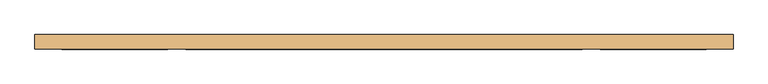
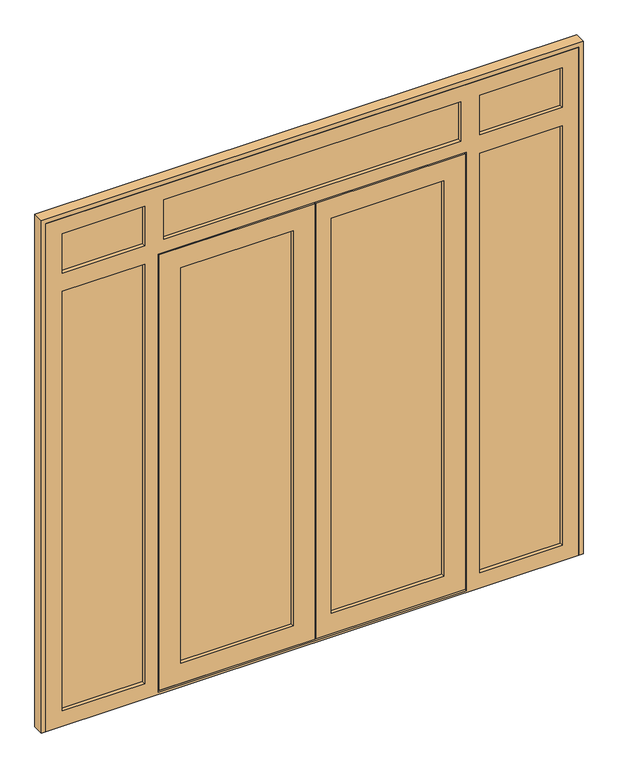
"""IFC4 building model written with IfcOpenShell, lengths in millimetres: door geometry."""

import ifcopenshell
import ifcopenshell.guid

model = None  # the IFC model being written
_history = None  # IfcOwnerHistory: only IFC2X3 demands one
_inside = {}  # id of a spatial element -> (the spatial element, [elements in it])
_under = {}  # id of a project, library or spatial element -> (it, [spatial elements below it])
_declared = {}  # id of a project -> (the project, [libraries it declares])
_typed = {}  # id of a type object -> (the type object, [elements of that type])
_made_of = {}  # id of a material, layer set ... -> (it, [elements and type objects made of it])


def new_model(schema):
    """Start an empty IFC model of exactly this schema.

    Asked for "IFC4X3", IfcOpenShell would pick the latest addendum, in which some entities
    have other attributes; the version numbers below select the first issue.
    IFC2X3 requires an IfcOwnerHistory on every rooted entity: one is made here for all.
    """
    global model, _history
    if schema == "IFC4X3":
        model = ifcopenshell.file(schema_version=(4, 3, 0, 0))
    else:
        model = ifcopenshell.file(schema=schema)
    _inside.clear()
    _under.clear()
    _declared.clear()
    _typed.clear()
    _made_of.clear()
    _history = None
    if model.schema == "IFC2X3":
        org = make("IfcOrganization", Name="unknown")
        user = make(
            "IfcPersonAndOrganization",
            ThePerson=make("IfcPerson", FamilyName="unknown"),
            TheOrganization=org,
        )
        app = make(
            "IfcApplication",
            ApplicationDeveloper=org,
            Version="unknown",
            ApplicationFullName="unknown",
            ApplicationIdentifier="unknown",
        )
        _history = make(
            "IfcOwnerHistory",
            OwningUser=user,
            OwningApplication=app,
            ChangeAction="ADDED",
            CreationDate=0,
        )
    return model


def make(cls, **values):
    """One entity of the class cls with the attributes given. An attribute that is None is left unset."""
    return model.create_entity(
        cls, **{name: value for name, value in values.items() if value is not None}
    )


def rooted(cls, **values):
    """An entity with a GlobalId (a new one), such as an element, a storey or a relation."""
    return make(cls, GlobalId=ifcopenshell.guid.new(), OwnerHistory=_history, **values)


def si_unit(unit_type, name, prefix=None):
    """IfcSIUnit, for example si_unit("LENGTHUNIT", "METRE", prefix="MILLI")."""
    return make("IfcSIUnit", UnitType=unit_type, Prefix=prefix, Name=name)


def assignment(units):
    """IfcUnitAssignment: the units of a project."""
    return None if units is None else make("IfcUnitAssignment", Units=units)


def point(xyz):
    """IfcCartesianPoint."""
    return None if xyz is None else make("IfcCartesianPoint", Coordinates=xyz)


def direction(xyz):
    """IfcDirection."""
    return None if xyz is None else make("IfcDirection", DirectionRatios=xyz)


def frame(location, z_axis=None, x_axis=None):
    """IfcAxis2Placement3D, a coordinate frame: its origin and axes. An axis left out is left unset."""
    return make(
        "IfcAxis2Placement3D",
        Location=point(location),
        Axis=direction(z_axis),
        RefDirection=direction(x_axis),
    )


def origin():
    """The frame at (0, 0, 0) with its axes left unset."""
    return frame((0.0, 0.0, 0.0))


def place(relative_to, where):
    """IfcLocalPlacement: puts the frame where relative to a parent placement (None: the world)."""
    return make(
        "IfcLocalPlacement", PlacementRelTo=relative_to, RelativePlacement=where
    )


def context(
    kind, dimensions, precision=None, world=None, true_north=None, identifier=None
):
    """IfcGeometricRepresentationContext, for example the 3D "Model" context."""
    return make(
        "IfcGeometricRepresentationContext",
        ContextIdentifier=identifier,
        ContextType=kind,
        CoordinateSpaceDimension=dimensions,
        Precision=precision,
        WorldCoordinateSystem=world,
        TrueNorth=true_north,
    )


def project(units=None, contexts=None):
    """IfcProject with its units and contexts."""
    return rooted(
        "IfcProject",
        Name="project",
        RepresentationContexts=contexts,
        UnitsInContext=assignment(units),
    )


def spatial(cls, under=None, at=None, **own):
    """A site, building, storey or space (cls), placed at a placement, below another one or the project."""
    s = rooted(cls, ObjectPlacement=at, **own)
    if under is not None:
        _under.setdefault(under.id(), (under, []))[1].append(s)
    return s


def polyline(points):
    """IfcPolyline through the points."""
    return make("IfcPolyline", Points=[point(p) for p in points])


def outline(outer, holes=None, kind="AREA"):
    """IfcArbitraryClosedProfileDef: a profile drawn as a closed curve; with holes, ...WithVoids."""
    if holes is None:
        return make("IfcArbitraryClosedProfileDef", ProfileType=kind, OuterCurve=outer)
    return make(
        "IfcArbitraryProfileDefWithVoids",
        ProfileType=kind,
        OuterCurve=outer,
        InnerCurves=holes,
    )


def extrude(swept, where, along, depth):
    """IfcExtrudedAreaSolid: the profile swept, set in the frame where, extruded along a direction by depth."""
    return make(
        "IfcExtrudedAreaSolid",
        SweptArea=swept,
        Position=where,
        ExtrudedDirection=direction(along),
        Depth=depth,
    )


def faces_of(points, faces, orient=None, outer=None):
    """IfcFace entities. A face is a list of loops; a loop is a list of indices into points, from 0.

    orient and outer hold one flag for each loop. By default every Orientation is true, the
    first loop of a face is its IfcFaceOuterBound and the others are IfcFaceBound.
    """
    made = []
    for i, loops in enumerate(faces):
        bounds = []
        for j, loop in enumerate(loops):
            is_outer = j == 0 if outer is None else outer[i][j]
            bounds.append(
                make(
                    "IfcFaceOuterBound" if is_outer else "IfcFaceBound",
                    Bound=make("IfcPolyLoop", Polygon=[points[k] for k in loop]),
                    Orientation=True if orient is None else orient[i][j],
                )
            )
        made.append(make("IfcFace", Bounds=bounds))
    return made


def faceted_brep(points, faces, orient=None, outer=None, voids=None):
    """IfcFacetedBrep: a solid bounded by flat faces; with voids (closed shells), ...WithVoids."""
    shared = [point(p) for p in points]
    hull = make("IfcClosedShell", CfsFaces=faces_of(shared, faces, orient, outer))
    if voids is None:
        return make("IfcFacetedBrep", Outer=hull)
    return make(
        "IfcFacetedBrepWithVoids",
        Outer=hull,
        Voids=[
            make(cls, CfsFaces=faces_of(shared, fs, o, b)) for cls, fs, o, b in voids
        ],
    )


def shape(context_of_items, identifier, shape_type, items):
    """IfcShapeRepresentation: the items that make up one representation, for example the "Body"."""
    return make(
        "IfcShapeRepresentation",
        ContextOfItems=context_of_items,
        RepresentationIdentifier=identifier,
        RepresentationType=shape_type,
        Items=items,
    )


def source(mapping_origin, context_of_items, identifier, shape_type, items):
    """IfcRepresentationMap: a shape defined once, which mapped items show again and again."""
    return make(
        "IfcRepresentationMap",
        MappingOrigin=mapping_origin,
        MappedRepresentation=shape(context_of_items, identifier, shape_type, items),
    )


def transform(
    local_origin,
    x_axis=None,
    y_axis=None,
    z_axis=None,
    scale=None,
    scale2=None,
    scale3=None,
    uniform=True,
):
    """IfcCartesianTransformationOperator3D, or its non-uniform kind. x_axis, y_axis, z_axis: its Axis1, 2, 3."""
    if uniform:
        return make(
            "IfcCartesianTransformationOperator3D",
            Axis1=direction(x_axis),
            Axis2=direction(y_axis),
            LocalOrigin=point(local_origin),
            Scale=scale,
            Axis3=direction(z_axis),
        )
    return make(
        "IfcCartesianTransformationOperator3DnonUniform",
        Axis1=direction(x_axis),
        Axis2=direction(y_axis),
        LocalOrigin=point(local_origin),
        Scale=scale,
        Axis3=direction(z_axis),
        Scale2=scale2,
        Scale3=scale3,
    )


def mapped(mapping_source, mapping_target):
    """IfcMappedItem: shows the shape of a source again, moved by a transform."""
    return make(
        "IfcMappedItem", MappingSource=mapping_source, MappingTarget=mapping_target
    )


def made_of(thing, what):
    """Note that an element or type object is made of a material, layer set ...; save() writes the relation."""
    if what is not None:
        _made_of.setdefault(what.id(), (what, []))[1].append(thing)
    return thing


def element(
    cls,
    number,
    at=None,
    inside=None,
    cuts=None,
    type_object=None,
    material=None,
    context=None,
    identifier="Body",
    shape_type=None,
    held_by="IfcProductDefinitionShape",
    body=None,
    shapes=None,
    **own,
):
    """One element of the class cls, such as IfcWall. Its Tag is "e" and its number.

    at: its placement. inside: the storey or other place that contains it. cuts: it is an
    opening in that element (IfcRelVoidsElement). A single representation is given by context,
    identifier, shape_type and body (its items); several are given by shapes. held_by: the class
    of the entity that holds the representations. save() writes the other relations.
    """
    e = rooted(cls, Tag="e%d" % number, ObjectPlacement=at, **own)
    if body is not None:
        shapes = [shape(context, identifier, shape_type, body)]
    if shapes is not None:
        e.Representation = make(held_by, Representations=shapes)
    if inside is not None:
        _inside.setdefault(inside.id(), (inside, []))[1].append(e)
    if cuts is not None:
        rooted(
            "IfcRelVoidsElement", RelatingBuildingElement=cuts, RelatedOpeningElement=e
        )
    if type_object is not None:
        _typed.setdefault(type_object.id(), (type_object, []))[1].append(e)
    return made_of(e, material)


def aggregate(whole, parts):
    """IfcRelAggregates: a whole, such as a stair, and the parts it consists of."""
    return rooted("IfcRelAggregates", RelatingObject=whole, RelatedObjects=parts)


def save(model, path):
    """Write the relations noted so far, then the file.

    IfcRelAggregates (storeys below a building ...), IfcRelContainedInSpatialStructure (elements
    in a storey), IfcRelDefinesByType, IfcRelAssociatesMaterial and IfcRelDeclares: one each for
    every whole, place, type object, material and project.
    """
    for whole, parts in _under.values():
        aggregate(whole, parts)
    for where, things in _inside.values():
        rooted(
            "IfcRelContainedInSpatialStructure",
            RelatedElements=things,
            RelatingStructure=where,
        )
    for kind, things in _typed.values():
        rooted("IfcRelDefinesByType", RelatedObjects=things, RelatingType=kind)
    for what, things in _made_of.values():
        rooted("IfcRelAssociatesMaterial", RelatedObjects=things, RelatingMaterial=what)
    for by, libraries in _declared.values():
        rooted("IfcRelDeclares", RelatingContext=by, RelatedDefinitions=libraries)
    model.write(path)


def door_09e8d67b(model_context):
    return source(origin(), model_context, "Body", "SolidModel", [
        extrude(outline(polyline([(59.0, 91.0), (59.0, 67.0), (-476.0, 67.0), (-476.0, 91.0), (59.0, 91.0)])), frame((0.0, 0.0, 93.0), z_axis=(0.0, 0.0, 1.0), x_axis=(1.0, 0.0, 0.0)), (0.0, 0.0, 1.0), 1888.0),
        extrude(outline(polyline([(726.0, 91.0), (726.0, 67.0), (191.0, 67.0), (191.0, 91.0), (726.0, 91.0)])), frame((0.0, 0.0, 93.0), z_axis=(0.0, 0.0, 1.0), x_axis=(1.0, 0.0, 0.0)), (0.0, 0.0, 1.0), 1888.0),
        extrude(outline(polyline([(800.0, 91.0), (800.0, 67.0), (-550.0, 67.0), (-550.0, 91.0), (800.0, 91.0)])), frame((0.0, 0.0, 2105.0), z_axis=(0.0, 0.0, 1.0), x_axis=(1.0, 0.0, 0.0)), (0.0, 0.0, 1.0), 221.0),
        extrude(outline(polyline([(1251.0, 91.0), (1251.0, 67.0), (850.0, 67.0), (850.0, 91.0), (1251.0, 91.0)])), frame((0.0, 0.0, 2105.0), z_axis=(0.0, 0.0, 1.0), x_axis=(1.0, 0.0, 0.0)), (0.0, 0.0, 1.0), 221.0),
        extrude(outline(polyline([(-600.0, 91.0), (-600.0, 67.0), (-1001.0, 67.0), (-1001.0, 91.0), (-600.0, 91.0)])), frame((0.0, 0.0, 2105.0), z_axis=(0.0, 0.0, 1.0), x_axis=(1.0, 0.0, 0.0)), (0.0, 0.0, 1.0), 221.0),
        extrude(outline(polyline([(1251.0, 91.0), (1251.0, 67.0), (850.0, 67.0), (850.0, 91.0), (1251.0, 91.0)])), frame((0.0, 0.0, 54.0), z_axis=(0.0, 0.0, 1.0), x_axis=(1.0, 0.0, 0.0)), (0.0, 0.0, 1.0), 2001.0),
        extrude(outline(polyline([(-600.0, 91.0), (-600.0, 67.0), (-1001.0, 67.0), (-1001.0, 91.0), (-600.0, 91.0)])), frame((0.0, 0.0, 54.0), z_axis=(0.0, 0.0, 1.0), x_axis=(1.0, 0.0, 0.0)), (0.0, 0.0, 1.0), 2001.0),
        faceted_brep([(-552.0, 59.0, 17.0), (-542.0, 59.0, 17.0), (-542.0, 91.0, 17.0), (-532.0, 91.0, 17.0), (-532.0, 59.0, 17.0), (135.0, 59.0, 17.0), (135.0, 50.0, 17.0), (-552.0, 50.0, 17.0), (802.0, 59.0, 17.0), (802.0, 50.0, 17.0), (140.0, 50.0, 17.0), (140.0, 59.0, 17.0), (782.0, 59.0, 17.0), (782.0, 91.0, 17.0), (792.0, 91.0, 17.0), (792.0, 59.0, 17.0), (-552.0, 50.0, 2057.0), (-552.0, 59.0, 2057.0), (135.0, 50.0, 2057.0), (-458.0, 50.0, 1963.0), (41.0, 50.0, 1963.0), (41.0, 50.0, 111.0), (-458.0, 50.0, 111.0), (802.0, 50.0, 2057.0), (140.0, 50.0, 2057.0), (708.0, 50.0, 111.0), (209.0, 50.0, 111.0), (209.0, 50.0, 1963.0), (708.0, 50.0, 1963.0), (-458.0, 67.0, 111.0), (-458.0, 67.0, 1963.0), (726.0, 67.0, 93.0), (191.0, 67.0, 93.0), (191.0, 67.0, 1981.0), (726.0, 67.0, 1981.0), (708.0, 67.0, 1963.0), (209.0, 67.0, 1963.0), (209.0, 67.0, 111.0), (708.0, 67.0, 111.0), (-476.0, 67.0, 1981.0), (59.0, 67.0, 1981.0), (59.0, 67.0, 93.0), (-476.0, 67.0, 93.0), (41.0, 67.0, 111.0), (41.0, 67.0, 1963.0), (-476.0, 91.0, 93.0), (-476.0, 91.0, 1981.0), (726.0, 91.0, 1981.0), (191.0, 91.0, 1981.0), (191.0, 91.0, 93.0), (726.0, 91.0, 93.0), (708.0, 91.0, 111.0), (209.0, 91.0, 111.0), (209.0, 91.0, 1963.0), (708.0, 91.0, 1963.0), (59.0, 91.0, 93.0), (59.0, 91.0, 1981.0), (-458.0, 91.0, 1963.0), (41.0, 91.0, 1963.0), (41.0, 91.0, 111.0), (-458.0, 91.0, 111.0), (-458.0, 100.0, 111.0), (-458.0, 100.0, 1963.0), (777.0, 100.0, 42.0), (115.0, 100.0, 42.0), (115.0, 100.0, 2032.0), (777.0, 100.0, 2032.0), (708.0, 100.0, 1963.0), (209.0, 100.0, 1963.0), (209.0, 100.0, 111.0), (708.0, 100.0, 111.0), (-527.0, 100.0, 2032.0), (110.0, 100.0, 2032.0), (110.0, 100.0, 42.0), (-527.0, 100.0, 42.0), (41.0, 100.0, 111.0), (41.0, 100.0, 1963.0), (-527.0, 91.0, 42.0), (-527.0, 91.0, 2032.0), (782.0, 91.0, 27.0), (-532.0, 91.0, 27.0), (-542.0, 91.0, 2047.0), (792.0, 91.0, 2047.0), (777.0, 91.0, 2032.0), (115.0, 91.0, 2032.0), (115.0, 91.0, 42.0), (777.0, 91.0, 42.0), (110.0, 91.0, 42.0), (110.0, 91.0, 2032.0), (-542.0, 59.0, 2047.0), (135.0, 59.0, 2057.0), (135.0, 59.0, 2047.0), (792.0, 59.0, 2047.0), (140.0, 59.0, 2047.0), (140.0, 59.0, 2057.0), (802.0, 59.0, 2057.0), (782.0, 59.0, 27.0), (-532.0, 59.0, 27.0), (140.0, 59.0, 27.0), (135.0, 59.0, 27.0)], [[[0, 1, 2, 3, 4, 5, 6, 7]], [[8, 9, 10, 11, 12, 13, 14, 15]], [[7, 16, 17, 0]], [[7, 6, 18, 16], [19, 20, 21, 22]], [[23, 24, 10, 9], [25, 26, 27, 28]], [[19, 22, 29, 30]], [[31, 32, 33, 34], [35, 36, 37, 38]], [[39, 40, 41, 42], [29, 43, 44, 30]], [[39, 42, 45, 46]], [[47, 48, 49, 50], [51, 52, 53, 54]], [[45, 55, 56, 46], [57, 58, 59, 60]], [[57, 60, 61, 62]], [[63, 64, 65, 66], [67, 68, 69, 70]], [[71, 72, 73, 74], [61, 75, 76, 62]], [[71, 74, 77, 78]], [[14, 13, 79, 80, 3, 2, 81, 82], [83, 84, 85, 86], [87, 88, 78, 77]], [[1, 89, 81, 2]], [[0, 17, 90, 91, 89, 1]], [[92, 93, 94, 95, 8, 15]], [[16, 18, 90, 17]], [[95, 94, 24, 23]], [[30, 44, 20, 19]], [[28, 27, 36, 35]], [[46, 56, 40, 39]], [[34, 33, 48, 47]], [[62, 76, 58, 57]], [[54, 53, 68, 67]], [[78, 88, 72, 71]], [[66, 65, 84, 83]], [[89, 91, 93, 92, 82, 81]], [[9, 8, 95, 23]], [[35, 38, 25, 28]], [[47, 50, 31, 34]], [[67, 70, 51, 54]], [[83, 86, 63, 66]], [[82, 92, 15, 14]], [[38, 37, 26, 25]], [[22, 21, 43, 29]], [[42, 41, 55, 45]], [[50, 49, 32, 31]], [[70, 69, 52, 51]], [[60, 59, 75, 61]], [[79, 13, 12, 96]], [[97, 4, 3, 80]], [[96, 98, 99, 97, 80, 79]], [[74, 73, 87, 77]], [[86, 85, 64, 63]], [[12, 11, 98, 96]], [[97, 99, 5, 4]], [[65, 64, 85, 84]], [[68, 53, 52, 69]], [[33, 32, 49, 48]], [[36, 27, 26, 37]], [[10, 24, 94, 93, 98, 11]], [[91, 99, 98, 93]], [[5, 99, 91, 90, 18, 6]], [[43, 21, 20, 44]], [[56, 55, 41, 40]], [[75, 59, 58, 76]], [[73, 72, 88, 87]]]),
        faceted_brep([(-983.0, 50.0, 2308.0), (-983.0, 50.0, 2123.0), (-983.0, 67.0, 2123.0), (-983.0, 67.0, 2308.0), (-983.0, 67.0, 72.0), (-983.0, 67.0, 2037.0), (-983.0, 50.0, 2037.0), (-983.0, 50.0, 72.0), (-1001.0, 67.0, 2326.0), (-1001.0, 67.0, 2105.0), (-1001.0, 91.0, 2105.0), (-1001.0, 91.0, 2326.0), (-1001.0, 91.0, 54.0), (-1001.0, 91.0, 2055.0), (-1001.0, 67.0, 2055.0), (-1001.0, 67.0, 54.0), (-983.0, 91.0, 2308.0), (-983.0, 91.0, 2123.0), (-983.0, 100.0, 2123.0), (-983.0, 100.0, 2308.0), (-983.0, 100.0, 72.0), (-983.0, 100.0, 2037.0), (-983.0, 91.0, 2037.0), (-983.0, 91.0, 72.0), (-1055.0, 50.0, 0.0), (-1055.0, 50.0, 2380.0), (-1055.0, 100.0, 2380.0), (-1055.0, 100.0, 0.0), (1233.0, 50.0, 2308.0), (868.0, 50.0, 2308.0), (868.0, 67.0, 2308.0), (1233.0, 67.0, 2308.0), (-532.0, 50.0, 2308.0), (-532.0, 67.0, 2308.0), (782.0, 67.0, 2308.0), (782.0, 50.0, 2308.0), (-618.0, 67.0, 2308.0), (-618.0, 50.0, 2308.0), (-550.0, 67.0, 2326.0), (-550.0, 91.0, 2326.0), (800.0, 91.0, 2326.0), (800.0, 67.0, 2326.0), (850.0, 67.0, 2326.0), (850.0, 91.0, 2326.0), (1251.0, 91.0, 2326.0), (1251.0, 67.0, 2326.0), (-600.0, 91.0, 2326.0), (-600.0, 67.0, 2326.0), (1233.0, 91.0, 2308.0), (868.0, 91.0, 2308.0), (868.0, 100.0, 2308.0), (1233.0, 100.0, 2308.0), (-532.0, 91.0, 2308.0), (-532.0, 100.0, 2308.0), (782.0, 100.0, 2308.0), (782.0, 91.0, 2308.0), (-618.0, 100.0, 2308.0), (-618.0, 91.0, 2308.0), (1305.0, 50.0, 2380.0), (1305.0, 100.0, 2380.0), (1233.0, 50.0, 72.0), (1233.0, 50.0, 2037.0), (1233.0, 67.0, 2037.0), (1233.0, 67.0, 72.0), (1233.0, 67.0, 2123.0), (1233.0, 50.0, 2123.0), (1251.0, 67.0, 54.0), (1251.0, 67.0, 2055.0), (1251.0, 91.0, 2055.0), (1251.0, 91.0, 54.0), (1251.0, 91.0, 2105.0), (1251.0, 67.0, 2105.0), (1233.0, 91.0, 72.0), (1233.0, 91.0, 2037.0), (1233.0, 100.0, 2037.0), (1233.0, 100.0, 72.0), (1233.0, 100.0, 2123.0), (1233.0, 91.0, 2123.0), (1305.0, 50.0, 0.0), (1305.0, 100.0, 0.0), (807.0, 50.0, 9.0), (807.0, 59.0, 9.0), (-557.0, 59.0, 9.0), (-557.0, 50.0, 9.0), (807.0, 59.0, 2062.0), (-557.0, 59.0, 2062.0), (-542.0, 59.0, 2047.0), (792.0, 59.0, 2047.0), (792.0, 59.0, 27.0), (-542.0, 59.0, 27.0), (-532.0, 100.0, 27.0), (-532.0, 91.0, 27.0), (-542.0, 91.0, 27.0), (792.0, 91.0, 27.0), (782.0, 91.0, 27.0), (782.0, 100.0, 27.0), (-557.0, 50.0, 2062.0), (807.0, 50.0, 2062.0), (-542.0, 91.0, 2047.0), (792.0, 91.0, 2047.0), (-532.0, 100.0, 2037.0), (-532.0, 91.0, 2037.0), (-618.0, 67.0, 72.0), (-618.0, 50.0, 72.0), (-618.0, 50.0, 2037.0), (-618.0, 67.0, 2037.0), (868.0, 67.0, 2037.0), (868.0, 50.0, 2037.0), (868.0, 50.0, 72.0), (868.0, 67.0, 72.0), (782.0, 91.0, 2037.0), (782.0, 100.0, 2037.0), (-618.0, 50.0, 2123.0), (868.0, 50.0, 2123.0), (782.0, 50.0, 2123.0), (-532.0, 50.0, 2123.0), (-600.0, 67.0, 2105.0), (-618.0, 67.0, 2123.0), (800.0, 67.0, 2105.0), (-550.0, 67.0, 2105.0), (-532.0, 67.0, 2123.0), (782.0, 67.0, 2123.0), (850.0, 67.0, 2105.0), (868.0, 67.0, 2123.0), (850.0, 67.0, 54.0), (850.0, 67.0, 2055.0), (-600.0, 67.0, 2055.0), (-600.0, 67.0, 54.0), (-600.0, 91.0, 54.0), (-550.0, 91.0, 2105.0), (800.0, 91.0, 2105.0), (782.0, 91.0, 2123.0), (-532.0, 91.0, 2123.0), (850.0, 91.0, 2105.0), (868.0, 91.0, 2123.0), (-600.0, 91.0, 2055.0), (-618.0, 91.0, 2037.0), (-618.0, 91.0, 72.0), (850.0, 91.0, 2055.0), (850.0, 91.0, 54.0), (868.0, 91.0, 72.0), (868.0, 91.0, 2037.0), (-600.0, 91.0, 2105.0), (-618.0, 91.0, 2123.0), (-618.0, 100.0, 72.0), (868.0, 100.0, 2123.0), (-618.0, 100.0, 2037.0), (868.0, 100.0, 2037.0), (868.0, 100.0, 72.0), (782.0, 100.0, 2123.0), (-532.0, 100.0, 2123.0), (-618.0, 100.0, 2123.0)], [[[0, 1, 2, 3]], [[4, 5, 6, 7]], [[8, 9, 10, 11]], [[12, 13, 14, 15]], [[16, 17, 18, 19]], [[20, 21, 22, 23]], [[24, 25, 26, 27]], [[28, 29, 30, 31]], [[32, 33, 34, 35]], [[3, 36, 37, 0]], [[38, 39, 40, 41]], [[42, 43, 44, 45]], [[46, 47, 8, 11]], [[48, 49, 50, 51]], [[52, 53, 54, 55]], [[19, 56, 57, 16]], [[58, 59, 26, 25]], [[60, 61, 62, 63]], [[31, 64, 65, 28]], [[66, 67, 68, 69]], [[44, 70, 71, 45]], [[72, 73, 74, 75]], [[51, 76, 77, 48]], [[58, 78, 79, 59]], [[80, 81, 82, 83]], [[82, 81, 84, 85], [86, 87, 88, 89]], [[90, 91, 92, 89, 88, 93, 94, 95]], [[96, 85, 84, 97]], [[86, 98, 99, 87]], [[100, 101, 91, 90]], [[89, 92, 98, 86]], [[83, 82, 85, 96]], [[102, 103, 104, 105]], [[106, 107, 108, 109]], [[97, 84, 81, 80]], [[87, 99, 93, 88]], [[95, 94, 110, 111]], [[58, 25, 24, 78], [0, 37, 112, 1], [28, 65, 113, 29], [83, 96, 97, 80], [60, 108, 107, 61], [35, 114, 115, 32], [6, 104, 103, 7]], [[7, 103, 102, 4]], [[8, 47, 116, 9], [2, 117, 36, 3]], [[41, 118, 119, 38], [33, 120, 121, 34]], [[71, 122, 42, 45], [31, 30, 123, 64]], [[66, 124, 125, 67], [62, 106, 109, 63]], [[14, 126, 127, 15], [4, 102, 105, 5]], [[15, 127, 128, 12]], [[110, 94, 93, 99, 98, 92, 91, 101]], [[40, 39, 129, 130], [55, 131, 132, 52]], [[44, 43, 133, 70], [77, 134, 49, 48]], [[12, 128, 135, 13], [22, 136, 137, 23]], [[68, 138, 139, 69], [72, 140, 141, 73]], [[10, 142, 46, 11], [16, 57, 143, 17]], [[23, 137, 144, 20]], [[26, 59, 79, 27], [76, 51, 50, 145], [95, 111, 100, 90], [20, 144, 146, 21], [74, 147, 148, 75], [149, 54, 53, 150], [18, 151, 56, 19]], [[27, 79, 78, 24]], [[63, 109, 108, 60]], [[69, 139, 124, 66]], [[75, 148, 140, 72]], [[127, 126, 135, 128]], [[144, 137, 136, 146]], [[147, 141, 140, 148]], [[139, 138, 125, 124]], [[132, 150, 53, 52]], [[39, 38, 119, 129]], [[115, 120, 33, 32]], [[37, 36, 117, 112]], [[113, 123, 30, 29]], [[35, 34, 121, 114]], [[130, 118, 41, 40]], [[55, 54, 149, 131]], [[142, 116, 47, 46]], [[57, 56, 151, 143]], [[134, 145, 50, 49]], [[43, 42, 122, 133]], [[1, 112, 117, 2]], [[64, 123, 113, 65]], [[114, 121, 120, 115]], [[5, 105, 104, 6]], [[61, 107, 106, 62]], [[67, 125, 138, 68]], [[13, 135, 126, 14]], [[21, 146, 136, 22]], [[111, 110, 101, 100]], [[73, 141, 147, 74]], [[17, 143, 151, 18]], [[76, 145, 134, 77]], [[131, 149, 150, 132]], [[118, 130, 129, 119]], [[116, 142, 10, 9]], [[133, 122, 71, 70]]]),
        extrude(outline(polyline([(2400.0, -1075.0), (0.0, -1075.0), (0.0, -1055.0), (2380.0, -1055.0), (2380.0, 1305.0), (0.0, 1305.0), (0.0, 1325.0), (2400.0, 1325.0), (2400.0, -1075.0)])), frame((0.0, 50.0, 0.0), z_axis=(0.0, 1.0, 0.0), x_axis=(0.0, 0.0, 1.0)), (0.0, 0.0, 1.0), 50.0),
    ])


if __name__ == "__main__":
    model = new_model("IFC4")
    model_context = context("Model", 3, world=origin())
    ifc_project = project(units=[si_unit("LENGTHUNIT", "METRE", prefix="MILLI")], contexts=[model_context])
    site = spatial("IfcSite", under=ifc_project)
    building = spatial("IfcBuilding", under=site)
    placement = place(None, origin())
    door_shape = door_09e8d67b(model_context)
    element("IfcDoor", 1, at=placement, inside=building, context=model_context, shape_type="MappedRepresentation", body=[
        mapped(door_shape, transform((0.0, 0.0, 0.0), x_axis=(1.0, 0.0, 0.0), y_axis=(0.0, 1.0, 0.0), z_axis=(0.0, 0.0, 1.0))),
    ])
    save(model, "model.ifc")
